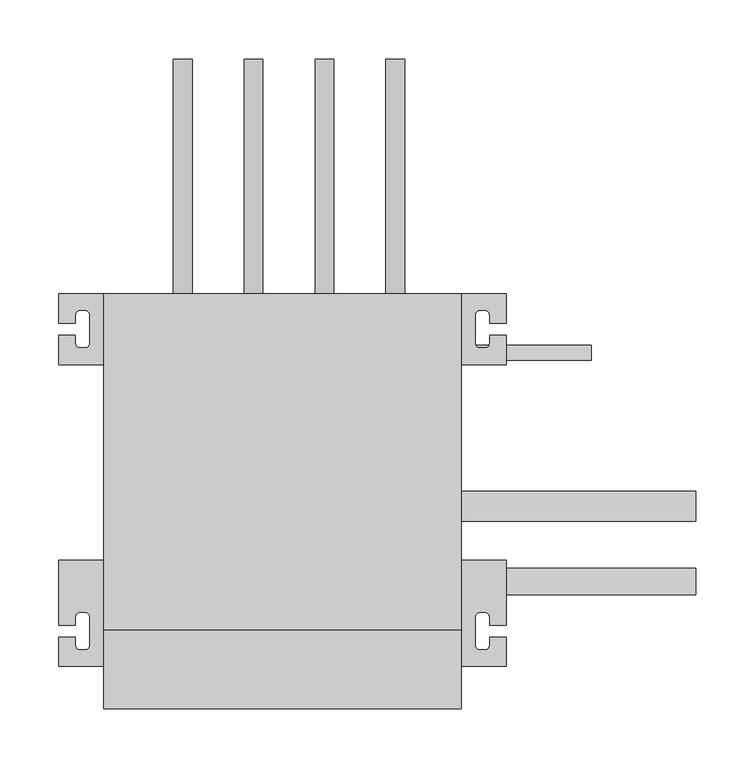
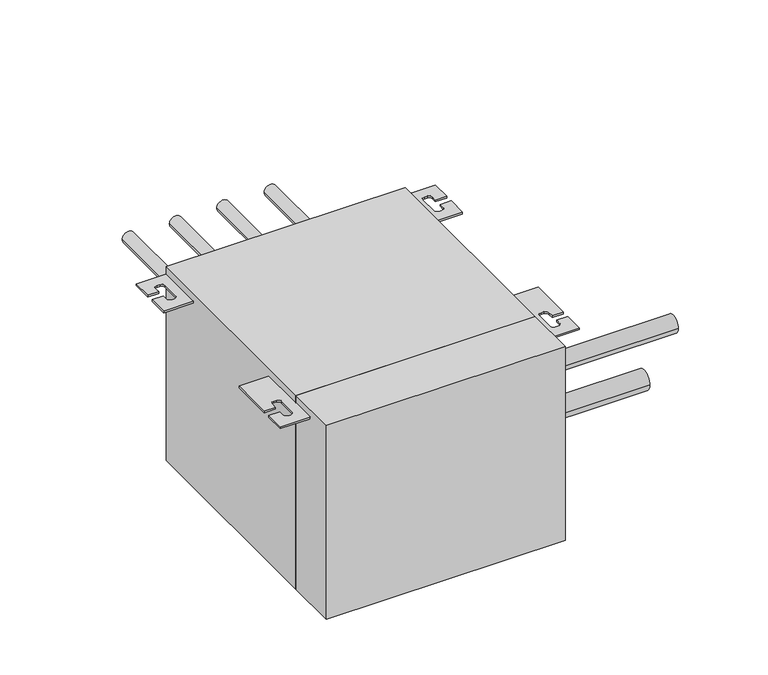
"""IFC4 building model written with IfcOpenShell, lengths in millimetres: proxy geometry."""

from ifc_helpers import new_model, si_unit, point, frame, frame_2d, origin, origin_with_axes, place, context, project, spatial, polyline, circle_curve, trimmed, segment, composite_curve, outline, extrude, source, transform, mapped, element, save


def mechanical_equipment_ab6897ff(model_context):
    return source(origin(), model_context, "Body", "SweptSolid", [
        extrude(outline(polyline([(303.0, 67.0), (0.0, 67.0), (0.0, 352.0), (303.0, 352.0), (303.0, 67.0)])), origin_with_axes(), (0.0, 0.0, 1.0), 260.0),
        extrude(outline(composite_curve([segment(polyline([(0.0, 352.0), (0.0, 292.0), (-38.0, 292.0), (-38.0, 317.0), (-24.0, 317.0), (-24.0, 310.0)]), True, "CONTINUOUS"), segment(trimmed(circle_curve(frame_2d((-20.0, 310.0)), 4.0), [point((-24.0, 310.0))], [point((-20.0, 306.0))], True, "CARTESIAN"), True, "CONTINUOUS"), segment(polyline([(-20.0, 306.0), (-16.0, 306.0)]), True, "CONTINUOUS"), segment(trimmed(circle_curve(frame_2d((-16.0, 310.0)), 4.0), [point((-16.0, 306.0))], [point((-12.0, 310.0))], True, "CARTESIAN"), True, "CONTINUOUS"), segment(polyline([(-12.0, 310.0), (-12.0, 334.0)]), True, "CONTINUOUS"), segment(trimmed(circle_curve(frame_2d((-16.0, 334.0)), 4.0), [point((-12.0, 334.0))], [point((-16.0, 338.0))], True, "CARTESIAN"), True, "CONTINUOUS"), segment(polyline([(-16.0, 338.0), (-20.0, 338.0)]), True, "CONTINUOUS"), segment(trimmed(circle_curve(frame_2d((-20.0, 334.0)), 4.0), [point((-20.0, 338.0))], [point((-24.0, 334.0))], True, "CARTESIAN"), True, "CONTINUOUS"), segment(polyline([(-24.0, 334.0), (-24.0, 327.0), (-38.0, 327.0), (-38.0, 352.0), (0.0, 352.0)]), True, "CONTINUOUS")], self_intersect=False)), frame((0.0, 0.0, 247.5), z_axis=(0.0, 0.0, 1.0), x_axis=(1.0, 0.0, 0.0)), (0.0, 0.0, 1.0), 2.5),
        extrude(outline(composite_curve([segment(polyline([(303.0, 352.0), (341.0, 352.0), (341.0, 327.0), (327.0, 327.0), (327.0, 334.0)]), True, "CONTINUOUS"), segment(trimmed(circle_curve(frame_2d((323.0, 334.0)), 4.0), [point((327.0, 334.0))], [point((323.0, 338.0))], True, "CARTESIAN"), True, "CONTINUOUS"), segment(polyline([(323.0, 338.0), (319.0, 338.0)]), True, "CONTINUOUS"), segment(trimmed(circle_curve(frame_2d((319.0, 334.0)), 4.0), [point((319.0, 338.0))], [point((315.0, 334.0))], True, "CARTESIAN"), True, "CONTINUOUS"), segment(polyline([(315.0, 334.0), (315.0, 310.0)]), True, "CONTINUOUS"), segment(trimmed(circle_curve(frame_2d((319.0, 310.0)), 4.0), [point((315.0, 310.0))], [point((319.0, 306.0))], True, "CARTESIAN"), True, "CONTINUOUS"), segment(polyline([(319.0, 306.0), (323.0, 306.0)]), True, "CONTINUOUS"), segment(trimmed(circle_curve(frame_2d((323.0, 310.0)), 4.0), [point((323.0, 306.0))], [point((327.0, 310.0))], True, "CARTESIAN"), True, "CONTINUOUS"), segment(polyline([(327.0, 310.0), (327.0, 317.0), (341.0, 317.0), (341.0, 292.0), (303.0, 292.0), (303.0, 352.0)]), True, "CONTINUOUS")], self_intersect=False)), frame((0.0, 0.0, 247.5), z_axis=(0.0, 0.0, 1.0), x_axis=(1.0, 0.0, 0.0)), (0.0, 0.0, 1.0), 2.5),
        extrude(outline(composite_curve([segment(polyline([(0.0, 36.0), (-38.0, 36.0), (-38.0, 61.0), (-24.0, 61.0), (-24.0, 54.0)]), True, "CONTINUOUS"), segment(trimmed(circle_curve(frame_2d((-20.0, 54.0)), 4.0), [point((-24.0, 54.0))], [point((-20.0, 50.0))], True, "CARTESIAN"), True, "CONTINUOUS"), segment(polyline([(-20.0, 50.0), (-16.0, 50.0)]), True, "CONTINUOUS"), segment(trimmed(circle_curve(frame_2d((-16.0, 54.0)), 4.0), [point((-16.0, 50.0))], [point((-12.0, 54.0))], True, "CARTESIAN"), True, "CONTINUOUS"), segment(polyline([(-12.0, 54.0), (-12.0, 78.0)]), True, "CONTINUOUS"), segment(trimmed(circle_curve(frame_2d((-16.0, 78.0)), 4.0), [point((-12.0, 78.0))], [point((-16.0, 82.0))], True, "CARTESIAN"), True, "CONTINUOUS"), segment(polyline([(-16.0, 82.0), (-20.0, 82.0)]), True, "CONTINUOUS"), segment(trimmed(circle_curve(frame_2d((-20.0, 78.0)), 4.0), [point((-20.0, 82.0))], [point((-24.0, 78.0))], True, "CARTESIAN"), True, "CONTINUOUS"), segment(polyline([(-24.0, 78.0), (-24.0, 71.0), (-38.0, 71.0), (-38.0, 126.0), (0.0, 126.0), (0.0, 36.0)]), True, "CONTINUOUS")], self_intersect=False)), frame((0.0, 0.0, 247.5), z_axis=(0.0, 0.0, 1.0), x_axis=(1.0, 0.0, 0.0)), (0.0, 0.0, 1.0), 2.5),
        extrude(outline(composite_curve([segment(polyline([(303.0, 36.0), (303.0, 126.0), (341.0, 126.0), (341.0, 71.0), (327.0, 71.0), (327.0, 78.0)]), True, "CONTINUOUS"), segment(trimmed(circle_curve(frame_2d((323.0, 78.0)), 4.0), [point((327.0, 78.0))], [point((323.0, 82.0))], True, "CARTESIAN"), True, "CONTINUOUS"), segment(polyline([(323.0, 82.0), (319.0, 82.0)]), True, "CONTINUOUS"), segment(trimmed(circle_curve(frame_2d((319.0, 78.0)), 4.0), [point((319.0, 82.0))], [point((315.0, 78.0))], True, "CARTESIAN"), True, "CONTINUOUS"), segment(polyline([(315.0, 78.0), (315.0, 54.0)]), True, "CONTINUOUS"), segment(trimmed(circle_curve(frame_2d((319.0, 54.0)), 4.0), [point((315.0, 54.0))], [point((319.0, 50.0))], True, "CARTESIAN"), True, "CONTINUOUS"), segment(polyline([(319.0, 50.0), (323.0, 50.0)]), True, "CONTINUOUS"), segment(trimmed(circle_curve(frame_2d((323.0, 54.0)), 4.0), [point((323.0, 50.0))], [point((327.0, 54.0))], True, "CARTESIAN"), True, "CONTINUOUS"), segment(polyline([(327.0, 54.0), (327.0, 61.0), (341.0, 61.0), (341.0, 36.0), (303.0, 36.0)]), True, "CONTINUOUS")], self_intersect=False)), frame((0.0, 0.0, 247.5), z_axis=(0.0, 0.0, 1.0), x_axis=(1.0, 0.0, 0.0)), (0.0, 0.0, 1.0), 2.5),
        extrude(outline(polyline([(0.0, 0.0), (0.0, 67.0), (303.0, 67.0), (303.0, 0.0), (0.0, 0.0)])), origin_with_axes(), (0.0, 0.0, 1.0), 260.0),
        extrude(outline(composite_curve([segment(trimmed(circle_curve(frame_2d((155.0, 67.0)), 7.94), [point((155.0, 59.06))], [point((155.0, 74.94))], False, "CARTESIAN"), True, "CONTINUOUS"), segment(trimmed(circle_curve(frame_2d((155.0, 67.0)), 7.94), [point((155.0, 74.94))], [point((155.0, 59.06))], False, "CARTESIAN"), True, "CONTINUOUS")], self_intersect=False)), frame((0.0, 352.0, 0.0), z_axis=(0.0, 1.0, 0.0), x_axis=(0.0, 0.0, 1.0)), (0.0, 0.0, 1.0), 199.0),
        extrude(outline(composite_curve([segment(trimmed(circle_curve(frame_2d((155.0, 127.0)), 7.94), [point((155.0, 119.06))], [point((155.0, 134.94))], False, "CARTESIAN"), True, "CONTINUOUS"), segment(trimmed(circle_curve(frame_2d((155.0, 127.0)), 7.94), [point((155.0, 134.94))], [point((155.0, 119.06))], False, "CARTESIAN"), True, "CONTINUOUS")], self_intersect=False)), frame((0.0, 352.0, 0.0), z_axis=(0.0, 1.0, 0.0), x_axis=(0.0, 0.0, 1.0)), (0.0, 0.0, 1.0), 199.0),
        extrude(outline(composite_curve([segment(trimmed(circle_curve(frame_2d((155.0, 187.0)), 7.94), [point((155.0, 179.06))], [point((155.0, 194.94))], False, "CARTESIAN"), True, "CONTINUOUS"), segment(trimmed(circle_curve(frame_2d((155.0, 187.0)), 7.94), [point((155.0, 194.94))], [point((155.0, 179.06))], False, "CARTESIAN"), True, "CONTINUOUS")], self_intersect=False)), frame((0.0, 352.0, 0.0), z_axis=(0.0, 1.0, 0.0), x_axis=(0.0, 0.0, 1.0)), (0.0, 0.0, 1.0), 199.0),
        extrude(outline(composite_curve([segment(trimmed(circle_curve(frame_2d((155.0, 247.0)), 7.94), [point((155.0, 239.06))], [point((155.0, 254.94))], False, "CARTESIAN"), True, "CONTINUOUS"), segment(trimmed(circle_curve(frame_2d((155.0, 247.0)), 7.94), [point((155.0, 254.94))], [point((155.0, 239.06))], False, "CARTESIAN"), True, "CONTINUOUS")], self_intersect=False)), frame((0.0, 352.0, 0.0), z_axis=(0.0, 1.0, 0.0), x_axis=(0.0, 0.0, 1.0)), (0.0, 0.0, 1.0), 199.0),
        extrude(outline(composite_curve([segment(trimmed(circle_curve(frame_2d((60.0, 67.0)), 4.76), [point((60.0, 62.24))], [point((60.0, 71.76))], False, "CARTESIAN"), True, "CONTINUOUS"), segment(trimmed(circle_curve(frame_2d((60.0, 67.0)), 4.76), [point((60.0, 71.76))], [point((60.0, 62.24))], False, "CARTESIAN"), True, "CONTINUOUS")], self_intersect=False)), frame((0.0, 352.0, 0.0), z_axis=(0.0, 1.0, 0.0), x_axis=(0.0, 0.0, 1.0)), (0.0, 0.0, 1.0), 86.0),
        extrude(outline(composite_curve([segment(trimmed(circle_curve(frame_2d((60.0, 127.0)), 4.76), [point((60.0, 122.24))], [point((60.0, 131.76))], False, "CARTESIAN"), True, "CONTINUOUS"), segment(trimmed(circle_curve(frame_2d((60.0, 127.0)), 4.76), [point((60.0, 131.76))], [point((60.0, 122.24))], False, "CARTESIAN"), True, "CONTINUOUS")], self_intersect=False)), frame((0.0, 352.0, 0.0), z_axis=(0.0, 1.0, 0.0), x_axis=(0.0, 0.0, 1.0)), (0.0, 0.0, 1.0), 86.0),
        extrude(outline(composite_curve([segment(trimmed(circle_curve(frame_2d((60.0, 187.0)), 4.76), [point((60.0, 182.24))], [point((60.0, 191.76))], False, "CARTESIAN"), True, "CONTINUOUS"), segment(trimmed(circle_curve(frame_2d((60.0, 187.0)), 4.76), [point((60.0, 191.76))], [point((60.0, 182.24))], False, "CARTESIAN"), True, "CONTINUOUS")], self_intersect=False)), frame((0.0, 352.0, 0.0), z_axis=(0.0, 1.0, 0.0), x_axis=(0.0, 0.0, 1.0)), (0.0, 0.0, 1.0), 86.0),
        extrude(outline(composite_curve([segment(trimmed(circle_curve(frame_2d((60.0, 247.0)), 4.76), [point((60.0, 242.24))], [point((60.0, 251.76))], False, "CARTESIAN"), True, "CONTINUOUS"), segment(trimmed(circle_curve(frame_2d((60.0, 247.0)), 4.76), [point((60.0, 251.76))], [point((60.0, 242.24))], False, "CARTESIAN"), True, "CONTINUOUS")], self_intersect=False)), frame((0.0, 352.0, 0.0), z_axis=(0.0, 1.0, 0.0), x_axis=(0.0, 0.0, 1.0)), (0.0, 0.0, 1.0), 86.0),
        extrude(outline(composite_curve([segment(trimmed(circle_curve(frame_2d((108.0, 156.0)), 11.11), [point((96.89, 156.0))], [point((119.11, 156.0))], False, "CARTESIAN"), True, "CONTINUOUS"), segment(trimmed(circle_curve(frame_2d((108.0, 156.0)), 11.11), [point((119.11, 156.0))], [point((96.89, 156.0))], False, "CARTESIAN"), True, "CONTINUOUS")], self_intersect=False)), frame((303.0, 0.0, 0.0), z_axis=(1.0, 0.0, 0.0), x_axis=(0.0, 1.0, 0.0)), (0.0, 0.0, 1.0), 199.0),
        extrude(outline(composite_curve([segment(trimmed(circle_curve(frame_2d((172.0, 42.0)), 12.7), [point((159.3, 42.0))], [point((184.7, 42.0))], False, "CARTESIAN"), True, "CONTINUOUS"), segment(trimmed(circle_curve(frame_2d((172.0, 42.0)), 12.7), [point((184.7, 42.0))], [point((159.3, 42.0))], False, "CARTESIAN"), True, "CONTINUOUS")], self_intersect=False)), frame((303.0, 0.0, 0.0), z_axis=(1.0, 0.0, 0.0), x_axis=(0.0, 1.0, 0.0)), (0.0, 0.0, 1.0), 199.0),
        extrude(outline(composite_curve([segment(trimmed(circle_curve(frame_2d((302.0, 60.0)), 6.35), [point((295.65, 60.0))], [point((308.35, 60.0))], False, "CARTESIAN"), True, "CONTINUOUS"), segment(trimmed(circle_curve(frame_2d((302.0, 60.0)), 6.35), [point((308.35, 60.0))], [point((295.65, 60.0))], False, "CARTESIAN"), True, "CONTINUOUS")], self_intersect=False)), frame((303.0, 0.0, 0.0), z_axis=(1.0, 0.0, 0.0), x_axis=(0.0, 1.0, 0.0)), (0.0, 0.0, 1.0), 110.0),
    ])


if __name__ == "__main__":
    model = new_model("IFC4")
    model_context = context("Model", 3, world=origin())
    ifc_project = project(units=[si_unit("LENGTHUNIT", "METRE", prefix="MILLI")], contexts=[model_context])
    site = spatial("IfcSite", under=ifc_project)
    building = spatial("IfcBuilding", under=site)
    placement = place(None, origin())
    mechanical_equipment_shape = mechanical_equipment_ab6897ff(model_context)
    element("IfcBuildingElementProxy", 1, Name="Mechanical Equipment", at=placement, inside=building, context=model_context, shape_type="MappedRepresentation", body=[
        mapped(mechanical_equipment_shape, transform((0.0, 0.0, 0.0), x_axis=(1.0, 0.0, 0.0), y_axis=(0.0, 1.0, 0.0), z_axis=(0.0, 0.0, 1.0))),
    ])
    save(model, "model.ifc")
